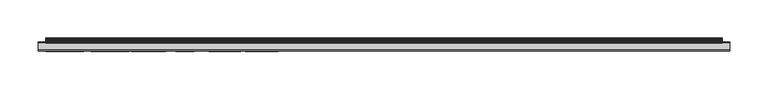
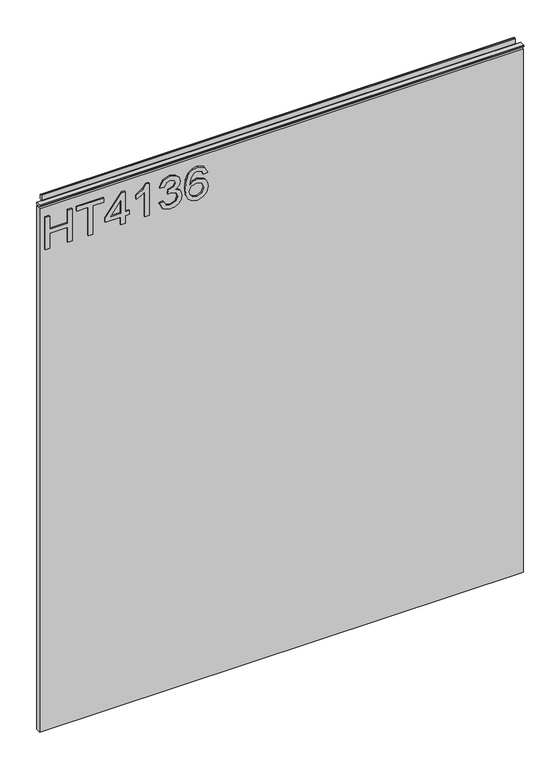
"""IFC4 building model written with IfcOpenShell, lengths in millimetres: furniture geometry."""

from ifc_helpers import new_model, si_unit, frame, origin, place, context, project, spatial, polyline, outline, extrude, source, transform, mapped, element, save


def furniture_76c70cc5(model_context):
    return source(origin(), model_context, "Body", "SweptSolid", [
        extrude(outline(polyline([(1053.0078, -288.5795281), (1053.0078, -280.6058085), (1082.9092486, -280.6058085), (1082.9092486, -246.7175001), (1053.0078, -246.7175001), (1053.0078, -238.7437805), (1116.7975569, -238.7437805), (1116.7975569, -246.7175001), (1090.8829682, -246.7175001), (1090.8829682, -280.6058085), (1116.7975569, -280.6058085), (1116.7975569, -288.5795281), (1053.0078, -288.5795281)])), frame((0.0, -5.6037602, 0.0), z_axis=(0.0, 1.0, 0.0), x_axis=(0.0, 0.0, 1.0)), (0.0, 0.0, 1.0), 2.38125),
        extrude(outline(polyline([(1053.0078, -208.8423319), (1053.0078, -200.8686123), (1108.8238373, -200.8686123), (1108.8238373, -179.9375983), (1116.7975569, -179.9375983), (1116.7975569, -229.7733459), (1108.8238373, -229.7733459), (1108.8238373, -208.8423319), (1053.0078, -208.8423319)])), frame((0.0, -5.6037602, 0.0), z_axis=(0.0, 1.0, 0.0), x_axis=(0.0, 0.0, 1.0)), (0.0, 0.0, 1.0), 2.38125),
        extrude(outline(polyline([(1053.0078, -148.0427198), (1053.0078, -140.0690002), (1067.9585243, -140.0690002), (1067.9585243, -132.0952806), (1075.9322439, -132.0952806), (1075.9322439, -140.0690002), (1115.800842, -140.0690002), (1115.800842, -146.0492899), (1075.9322439, -176.9474534), (1067.9585243, -176.9474534), (1067.9585243, -148.0427198), (1053.0078, -148.0427198)]), holes=[polyline([(1075.9322439, -148.0427198), (1075.9322439, -167.1360406), (1100.5697916, -148.0427198), (1075.9322439, -148.0427198)])]), frame((0.0, -5.6037602, 0.0), z_axis=(0.0, 1.0, 0.0), x_axis=(0.0, 0.0, 1.0)), (0.0, 0.0, 1.0), 2.38125),
        extrude(outline(polyline([(1053.0078, -95.2168274), (1116.7975569, -95.2168274), (1116.7975569, -100.3561388), (1108.3099062, -107.449946), (1100.8501177, -119.1379862), (1093.3124609, -119.1379862), (1097.3382549, -110.7437775), (1102.7189582, -103.190547), (1053.0078, -103.190547), (1053.0078, -95.2168274)])), frame((0.0, -5.6037602, 0.0), z_axis=(0.0, 1.0, 0.0), x_axis=(0.0, 0.0, 1.0)), (0.0, 0.0, 1.0), 2.38125),
        extrude(outline(polyline([(1069.9519542, -76.2792433), (1057.0102335, -69.9407591), (1052.011085, -55.9556024), (1053.4750101, -47.4329109), (1057.8667854, -40.5220944), (1064.3610063, -35.943435), (1072.1322681, -34.4172153), (1082.5043331, -37.4696548), (1087.955118, -46.1597633), (1093.2345925, -39.6188214), (1100.5853653, -37.4073601), (1108.6291664, -39.735624), (1114.6094562, -46.4634499), (1116.7975569, -56.0801918), (1112.3590607, -68.7571601), (1099.8534028, -75.2825283), (1098.8566878, -67.3088087), (1106.3320499, -63.3998172), (1108.8238373, -55.7998657), (1106.3554105, -48.2933562), (1100.1181552, -45.3810797), (1093.0788558, -49.3990869), (1090.8829682, -59.7244309), (1082.9092486, -60.6121301), (1083.7813742, -55.0211822), (1080.51869, -45.9573056), (1072.2724312, -42.3909349), (1063.520028, -45.9884529), (1059.9848047, -55.6752764), (1062.5544604, -63.9059616), (1070.9486691, -68.3055236), (1069.9519542, -76.2792433)])), frame((0.0, -5.6037602, 0.0), z_axis=(0.0, 1.0, 0.0), x_axis=(0.0, 0.0, 1.0)), (0.0, 0.0, 1.0), 2.38125),
        extrude(outline(polyline([(1099.8534028, 13.4251024), (1112.296766, 7.5382548), (1116.7975569, -5.0608452), (1114.9793308, -14.3154993), (1109.5246525, -21.4599209), (1098.6659103, -26.6926744), (1082.7846592, -28.4369256), (1068.6593395, -26.8659315), (1059.1749738, -22.1529493), (1053.8020572, -14.9481796), (1052.011085, -5.9018234), (1054.713117, 4.5481099), (1062.4999526, 11.789867), (1073.5027512, 14.4218174), (1081.6750351, 13.0240804), (1088.1887231, 8.8308695), (1093.873113, -4.7182244), (1091.7940279, -13.4316934), (1085.4321833, -20.4632059), (1099.6431582, -18.1972368), (1106.8927021, -12.7542387), (1108.8238373, -5.5592027), (1105.5066454, 2.4300906), (1098.8566878, 5.4513828), (1099.8534028, 13.4251024)]), holes=[polyline([(1073.6273406, -20.4632059), (1082.51212, -16.4997066), (1085.8993934, -6.8518174), (1082.51212, 2.9206613), (1073.2379988, 6.4480978), (1063.5511754, 2.8739403), (1059.9848047, -6.5247703), (1061.7056953, -13.7120195), (1066.7204174, -18.6177259), (1073.6273406, -20.4632059)])]), frame((0.0, -5.6037602, 0.0), z_axis=(0.0, 1.0, 0.0), x_axis=(0.0, 0.0, 1.0)), (0.0, 0.0, 1.0), 2.38125),
        extrude(outline(polyline([(5.5562561, 1143.0), (6.3500061, 1143.0), (6.3500061, 1152.87425), (7.1437561, 1153.668), (8.6677569, 1153.668), (10.0084363, 1153.2506926), (10.875413, 1152.1461816), (10.9623604, 1150.7447591), (10.2390011, 1147.7863459), (10.4046103, 1146.5833307), (11.6746103, 1144.3836103), (10.7786383, 1143.8663244), (7.1437561, 1143.8663244), (7.1437561, 1143.0), (6.3500061, 1142.7669239), (6.3500061, 1135.5578), (5.5562561, 1135.5578), (5.5562561, 1143.0)])), frame((-288.671, 0.0, 0.0), z_axis=(1.0, 0.0, 0.0), x_axis=(0.0, 1.0, 0.0)), (0.0, 0.0, 1.0), 882.142),
        extrude(outline(polyline([(5.5562561, 1143.0), (5.5562561, 1139.8249996), (-3.975094, 1139.8249996), (-5.3492339, 1140.6183657), (-5.3492339, 1142.2066395), (-3.9751037, 1143.0), (5.5562561, 1143.0)])), frame((-298.196, 0.0, 0.0), z_axis=(1.0, 0.0, 0.0), x_axis=(0.0, 1.0, 0.0)), (0.0, 0.0, 1.0), 901.192),
        extrude(outline(polyline([(602.996, 6.3500061), (602.996, -3.1749939), (-298.196, -3.1749939), (-298.196, 6.3500061), (602.996, 6.3500061)])), frame((0.0, 0.0, 104.69626), z_axis=(0.0, 0.0, 1.0), x_axis=(1.0, 0.0, 0.0)), (0.0, 0.0, 1.0), 1030.86154),
    ])


if __name__ == "__main__":
    model = new_model("IFC4")
    model_context = context("Model", 3, world=origin())
    ifc_project = project(units=[si_unit("LENGTHUNIT", "METRE", prefix="MILLI")], contexts=[model_context])
    site = spatial("IfcSite", under=ifc_project)
    building = spatial("IfcBuilding", under=site)
    placement = place(None, origin())
    furniture_shape = furniture_76c70cc5(model_context)
    element("IfcFurniture", 1, at=placement, inside=building, context=model_context, shape_type="MappedRepresentation", body=[
        mapped(furniture_shape, transform((0.0, 0.0, 0.0), x_axis=(1.0, 0.0, 0.0), y_axis=(0.0, 1.0, 0.0), z_axis=(0.0, 0.0, 1.0))),
    ])
    save(model, "model.ifc")
